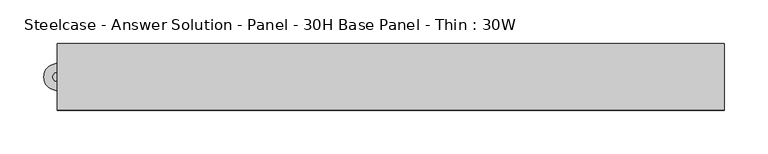
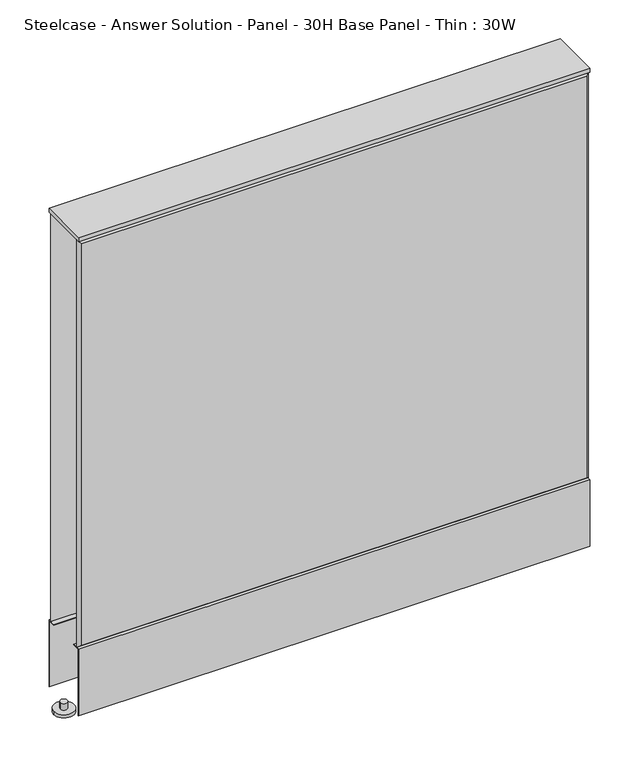
"""IFC4 building model written with IfcOpenShell, lengths in millimetres: furniture geometry, Steelcase - Answer Solution - Panel - 30H Base Panel - Thin : 30W."""

from ifc_helpers import new_model, si_unit, point, frame, frame_2d, origin, place, context, project, spatial, polyline, circle_curve, trimmed, segment, composite_curve, outline, extrude, faceted_brep, source, transform, mapped, element, save


def steelcase_answer_solution_panel_30h_base_panel_thin_30w_6c3ea899(model_context):
    return source(origin(), model_context, "Body", "SolidModel", [
        extrude(outline(polyline([(-37.3075215, 119.8575157), (-37.3075215, 15.494), (-38.1000194, 15.494), (-38.1000194, 120.65), (-25.4000011, 120.65), (-25.4000011, 119.8575157), (-37.3075215, 119.8575157)])), frame((-381.0, 0.0, 0.0), z_axis=(1.0, 0.0, 0.0), x_axis=(0.0, 1.0, 0.0)), (0.0, 0.0, 1.0), 762.0),
        extrude(outline(polyline([(37.3075215, 119.8575157), (25.4000011, 119.8575157), (25.4000011, 120.65), (38.1000194, 120.65), (38.1000194, 15.494), (37.3075215, 15.494), (37.3075215, 119.8575157)])), frame((-381.0, 0.0, 0.0), z_axis=(1.0, 0.0, 0.0), x_axis=(0.0, 1.0, 0.0)), (0.0, 0.0, 1.0), 762.0),
        extrude(outline(composite_curve([segment(trimmed(circle_curve(frame_2d((-381.0, 0.0)), 5.08), [point((-386.08, 0.0))], [point((-375.92, 0.0))], False, "CARTESIAN"), True, "CONTINUOUS"), segment(trimmed(circle_curve(frame_2d((-381.0, 0.0)), 5.08), [point((-375.92, 0.0))], [point((-386.08, 0.0))], False, "CARTESIAN"), True, "CONTINUOUS")], self_intersect=False)), frame((0.0, 0.0, 5.0799671), z_axis=(0.0, 0.0, 1.0), x_axis=(1.0, 0.0, 0.0)), (0.0, 0.0, 1.0), 10.414),
        extrude(outline(composite_curve([segment(trimmed(circle_curve(frame_2d((-381.0, 0.0)), 15.24), [point((-396.24, 0.0))], [point((-365.76, 0.0))], False, "CARTESIAN"), True, "CONTINUOUS"), segment(trimmed(circle_curve(frame_2d((-381.0, 0.0)), 15.24), [point((-365.76, 0.0))], [point((-396.24, 0.0))], False, "CARTESIAN"), True, "CONTINUOUS")], self_intersect=False)), frame((0.0, 0.0, -3.29e-05), z_axis=(0.0, 0.0, 1.0), x_axis=(1.0, 0.0, 0.0)), (0.0, 0.0, 1.0), 5.08),
        faceted_brep([(376.174, -38.100001, 757.174), (-376.174, -38.100001, 757.174), (-376.174, -38.100001, 125.476), (376.174, -38.100001, 125.476), (381.0, -33.274001, 762.0), (381.0, -33.274001, 120.65), (-381.0, -33.274001, 120.65), (-381.0, -33.274001, 762.0)], [[[0, 1, 2, 3]], [[4, 5, 6, 7]], [[4, 7, 1, 0]], [[7, 6, 2, 1]], [[6, 5, 3, 2]], [[5, 4, 0, 3]]]),
        faceted_brep([(376.174, 38.100001, 757.174), (376.174, 38.100001, 125.476), (-376.174, 38.100001, 125.476), (-376.174, 38.100001, 757.174), (381.0, 33.274001, 762.0), (-381.0, 33.274001, 762.0), (-381.0, 33.274001, 120.65), (381.0, 33.274001, 120.65)], [[[0, 1, 2, 3]], [[4, 5, 6, 7]], [[4, 0, 3, 5]], [[5, 3, 2, 6]], [[6, 2, 1, 7]], [[7, 1, 0, 4]]]),
        extrude(outline(polyline([(381.0, -38.1000194), (-381.0, -38.1000194), (-381.0, 38.1000194), (381.0, 38.1000194), (381.0, -38.1000194)])), frame((0.0, 0.0, 762.0), z_axis=(0.0, 0.0, 1.0), x_axis=(1.0, 0.0, 0.0)), (0.0, 0.0, 1.0), 6.35),
    ])


if __name__ == "__main__":
    model = new_model("IFC4")
    model_context = context("Model", 3, world=origin())
    ifc_project = project(units=[si_unit("LENGTHUNIT", "METRE", prefix="MILLI")], contexts=[model_context])
    site = spatial("IfcSite", under=ifc_project)
    building = spatial("IfcBuilding", under=site)
    placement = place(None, origin())
    steelcase_answer_solution_panel_30h_base_panel_thin_30w_shape = steelcase_answer_solution_panel_30h_base_panel_thin_30w_6c3ea899(model_context)
    element("IfcFurniture", 1, ObjectType="Steelcase - Answer Solution - Panel - 30H Base Panel - Thin : 30W", at=placement, inside=building, context=model_context, shape_type="MappedRepresentation", body=[
        mapped(steelcase_answer_solution_panel_30h_base_panel_thin_30w_shape, transform((0.0, 0.0, 0.0), x_axis=(1.0, 0.0, 0.0), y_axis=(0.0, 1.0, 0.0), z_axis=(0.0, 0.0, 1.0))),
    ])
    save(model, "model.ifc")
